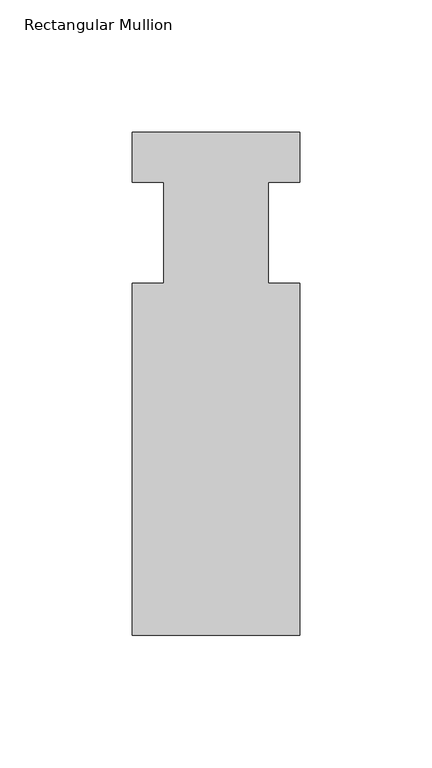
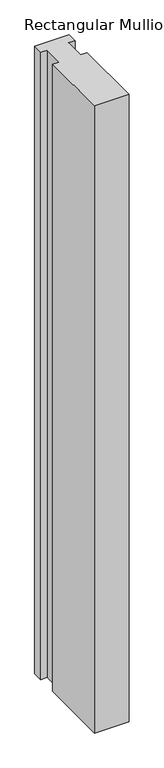
"""IFC4 building model written with IfcOpenShell, lengths in millimetres: member geometry, Rectangular Mullion."""

from ifc_helpers import new_model, si_unit, frame, origin, place, context, project, spatial, polyline, outline, extrude, source, transform, mapped, element, save


def rectangular_mullion_7c1a1e0e(model_context):
    return source(origin(), model_context, "Body", "SweptSolid", [
        extrude(outline(polyline([(31.75, -152.4), (-31.75, -152.4), (-31.75, -19.0495158), (-19.8374, -19.0495158), (-19.8374, 19.0504842), (-31.75, 19.0504842), (-31.75, 38.1), (31.75, 38.1), (31.75, 19.0504842), (19.8374, 19.0504842), (19.8374, -19.0495158), (31.75, -19.0495158), (31.75, -152.4)])), frame((0.0, 0.0, -1219.2), z_axis=(0.0, 0.0, 1.0), x_axis=(1.0, 0.0, 0.0)), (0.0, 0.0, 1.0), 1219.2),
    ])


if __name__ == "__main__":
    model = new_model("IFC4")
    model_context = context("Model", 3, world=origin())
    ifc_project = project(units=[si_unit("LENGTHUNIT", "METRE", prefix="MILLI")], contexts=[model_context])
    site = spatial("IfcSite", under=ifc_project)
    building = spatial("IfcBuilding", under=site)
    placement = place(None, origin())
    rectangular_mullion_shape = rectangular_mullion_7c1a1e0e(model_context)
    element("IfcMember", 1, ObjectType="Rectangular Mullion", at=placement, inside=building, context=model_context, shape_type="MappedRepresentation", body=[
        mapped(rectangular_mullion_shape, transform((0.0, 0.0, 0.0), x_axis=(1.0, 0.0, 0.0), y_axis=(0.0, 1.0, 0.0), z_axis=(0.0, 0.0, 1.0))),
    ])
    save(model, "model.ifc")
